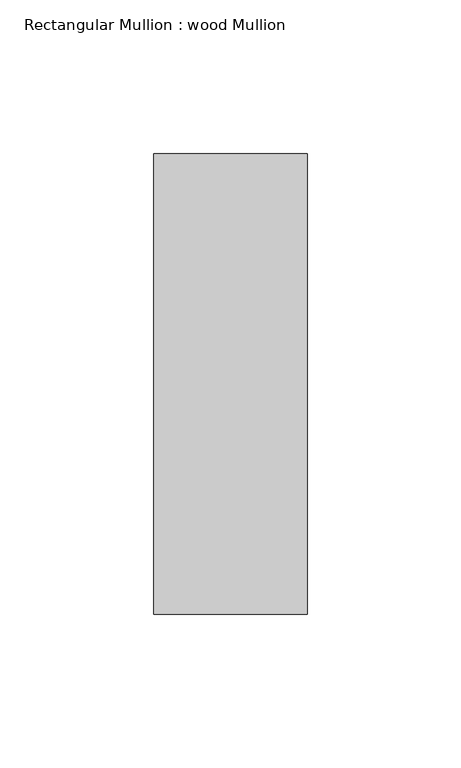
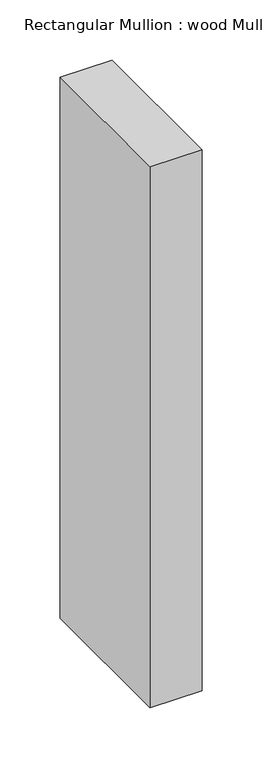
"""IFC4 building model written with IfcOpenShell, lengths in millimetres: member geometry, Rectangular Mullion : wood Mullion."""

from ifc_helpers import new_model, si_unit, frame, origin, place, context, project, spatial, polyline, outline, extrude, source, transform, mapped, element, save


def rectangular_mullion_wood_mullion_5dbd0429(model_context):
    return source(origin(), model_context, "Body", "SweptSolid", [
        extrude(outline(polyline([(0.0, 75.0), (0.0, -75.0), (-50.0, -75.0), (-50.0, 75.0), (0.0, 75.0)])), frame((0.0, 0.0, -550.0), z_axis=(0.0, 0.0, 1.0), x_axis=(1.0, 0.0, 0.0)), (0.0, 0.0, 1.0), 550.0),
    ])


if __name__ == "__main__":
    model = new_model("IFC4")
    model_context = context("Model", 3, world=origin())
    ifc_project = project(units=[si_unit("LENGTHUNIT", "METRE", prefix="MILLI")], contexts=[model_context])
    site = spatial("IfcSite", under=ifc_project)
    building = spatial("IfcBuilding", under=site)
    placement = place(None, origin())
    rectangular_mullion_wood_mullion_shape = rectangular_mullion_wood_mullion_5dbd0429(model_context)
    element("IfcMember", 1, ObjectType="Rectangular Mullion : wood Mullion", at=placement, inside=building, context=model_context, shape_type="MappedRepresentation", body=[
        mapped(rectangular_mullion_wood_mullion_shape, transform((0.0, 0.0, 0.0), x_axis=(1.0, 0.0, 0.0), y_axis=(0.0, 1.0, 0.0), z_axis=(0.0, 0.0, 1.0))),
    ])
    save(model, "model.ifc")
